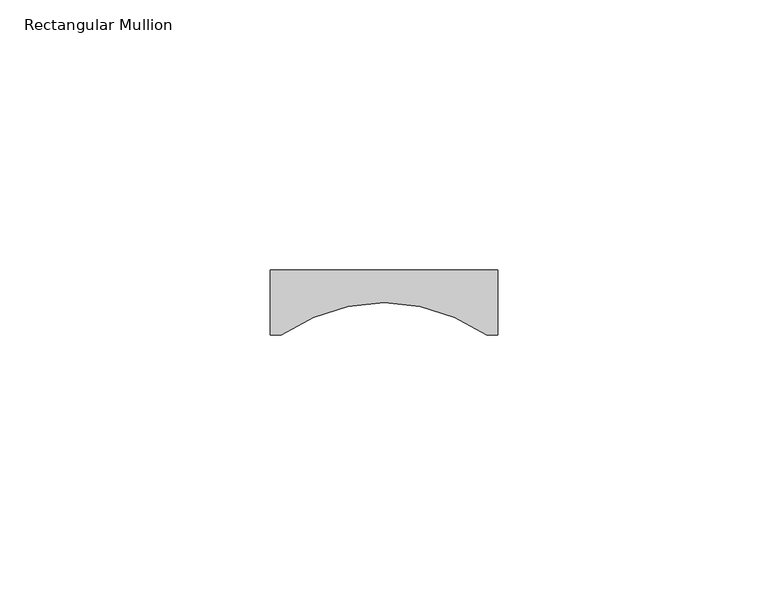
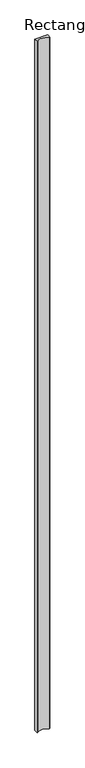
"""IFC4 building model written with IfcOpenShell, lengths in millimetres: member geometry, Rectangular Mullion."""

import ifcopenshell
import ifcopenshell.guid

model = None  # the IFC model being written
_history = None  # IfcOwnerHistory: only IFC2X3 demands one
_inside = {}  # id of a spatial element -> (the spatial element, [elements in it])
_under = {}  # id of a project, library or spatial element -> (it, [spatial elements below it])
_declared = {}  # id of a project -> (the project, [libraries it declares])
_typed = {}  # id of a type object -> (the type object, [elements of that type])
_made_of = {}  # id of a material, layer set ... -> (it, [elements and type objects made of it])


def new_model(schema):
    """Start an empty IFC model of exactly this schema.

    Asked for "IFC4X3", IfcOpenShell would pick the latest addendum, in which some entities
    have other attributes; the version numbers below select the first issue.
    IFC2X3 requires an IfcOwnerHistory on every rooted entity: one is made here for all.
    """
    global model, _history
    if schema == "IFC4X3":
        model = ifcopenshell.file(schema_version=(4, 3, 0, 0))
    else:
        model = ifcopenshell.file(schema=schema)
    _inside.clear()
    _under.clear()
    _declared.clear()
    _typed.clear()
    _made_of.clear()
    _history = None
    if model.schema == "IFC2X3":
        org = make("IfcOrganization", Name="unknown")
        user = make(
            "IfcPersonAndOrganization",
            ThePerson=make("IfcPerson", FamilyName="unknown"),
            TheOrganization=org,
        )
        app = make(
            "IfcApplication",
            ApplicationDeveloper=org,
            Version="unknown",
            ApplicationFullName="unknown",
            ApplicationIdentifier="unknown",
        )
        _history = make(
            "IfcOwnerHistory",
            OwningUser=user,
            OwningApplication=app,
            ChangeAction="ADDED",
            CreationDate=0,
        )
    return model


def make(cls, **values):
    """One entity of the class cls with the attributes given. An attribute that is None is left unset."""
    return model.create_entity(
        cls, **{name: value for name, value in values.items() if value is not None}
    )


def rooted(cls, **values):
    """An entity with a GlobalId (a new one), such as an element, a storey or a relation."""
    return make(cls, GlobalId=ifcopenshell.guid.new(), OwnerHistory=_history, **values)


def si_unit(unit_type, name, prefix=None):
    """IfcSIUnit, for example si_unit("LENGTHUNIT", "METRE", prefix="MILLI")."""
    return make("IfcSIUnit", UnitType=unit_type, Prefix=prefix, Name=name)


def assignment(units):
    """IfcUnitAssignment: the units of a project."""
    return None if units is None else make("IfcUnitAssignment", Units=units)


def point(xyz):
    """IfcCartesianPoint."""
    return None if xyz is None else make("IfcCartesianPoint", Coordinates=xyz)


def direction(xyz):
    """IfcDirection."""
    return None if xyz is None else make("IfcDirection", DirectionRatios=xyz)


def frame(location, z_axis=None, x_axis=None):
    """IfcAxis2Placement3D, a coordinate frame: its origin and axes. An axis left out is left unset."""
    return make(
        "IfcAxis2Placement3D",
        Location=point(location),
        Axis=direction(z_axis),
        RefDirection=direction(x_axis),
    )


def frame_2d(location, x_axis=None):
    """IfcAxis2Placement2D, a coordinate frame in the plane: its origin and x axis."""
    return make(
        "IfcAxis2Placement2D", Location=point(location), RefDirection=direction(x_axis)
    )


def origin():
    """The frame at (0, 0, 0) with its axes left unset."""
    return frame((0.0, 0.0, 0.0))


def place(relative_to, where):
    """IfcLocalPlacement: puts the frame where relative to a parent placement (None: the world)."""
    return make(
        "IfcLocalPlacement", PlacementRelTo=relative_to, RelativePlacement=where
    )


def context(
    kind, dimensions, precision=None, world=None, true_north=None, identifier=None
):
    """IfcGeometricRepresentationContext, for example the 3D "Model" context."""
    return make(
        "IfcGeometricRepresentationContext",
        ContextIdentifier=identifier,
        ContextType=kind,
        CoordinateSpaceDimension=dimensions,
        Precision=precision,
        WorldCoordinateSystem=world,
        TrueNorth=true_north,
    )


def project(units=None, contexts=None):
    """IfcProject with its units and contexts."""
    return rooted(
        "IfcProject",
        Name="project",
        RepresentationContexts=contexts,
        UnitsInContext=assignment(units),
    )


def spatial(cls, under=None, at=None, **own):
    """A site, building, storey or space (cls), placed at a placement, below another one or the project."""
    s = rooted(cls, ObjectPlacement=at, **own)
    if under is not None:
        _under.setdefault(under.id(), (under, []))[1].append(s)
    return s


def polyline(points):
    """IfcPolyline through the points."""
    return make("IfcPolyline", Points=[point(p) for p in points])


def circle_curve(where, radius):
    """IfcCircle in the frame where."""
    return make("IfcCircle", Position=where, Radius=radius)


def trimmed(basis, trim1, trim2, sense, master):
    """IfcTrimmedCurve: the piece of a basis curve between two trims."""
    return make(
        "IfcTrimmedCurve",
        BasisCurve=basis,
        Trim1=trim1,
        Trim2=trim2,
        SenseAgreement=sense,
        MasterRepresentation=master,
    )


def segment(curve, same_sense, transition):
    """IfcCompositeCurveSegment."""
    return make(
        "IfcCompositeCurveSegment",
        Transition=transition,
        SameSense=same_sense,
        ParentCurve=curve,
    )


def composite_curve(segments, self_intersect=None):
    """IfcCompositeCurve: segments joined end to end."""
    return make("IfcCompositeCurve", Segments=segments, SelfIntersect=self_intersect)


def outline(outer, holes=None, kind="AREA"):
    """IfcArbitraryClosedProfileDef: a profile drawn as a closed curve; with holes, ...WithVoids."""
    if holes is None:
        return make("IfcArbitraryClosedProfileDef", ProfileType=kind, OuterCurve=outer)
    return make(
        "IfcArbitraryProfileDefWithVoids",
        ProfileType=kind,
        OuterCurve=outer,
        InnerCurves=holes,
    )


def extrude(swept, where, along, depth):
    """IfcExtrudedAreaSolid: the profile swept, set in the frame where, extruded along a direction by depth."""
    return make(
        "IfcExtrudedAreaSolid",
        SweptArea=swept,
        Position=where,
        ExtrudedDirection=direction(along),
        Depth=depth,
    )


def shape(context_of_items, identifier, shape_type, items):
    """IfcShapeRepresentation: the items that make up one representation, for example the "Body"."""
    return make(
        "IfcShapeRepresentation",
        ContextOfItems=context_of_items,
        RepresentationIdentifier=identifier,
        RepresentationType=shape_type,
        Items=items,
    )


def source(mapping_origin, context_of_items, identifier, shape_type, items):
    """IfcRepresentationMap: a shape defined once, which mapped items show again and again."""
    return make(
        "IfcRepresentationMap",
        MappingOrigin=mapping_origin,
        MappedRepresentation=shape(context_of_items, identifier, shape_type, items),
    )


def transform(
    local_origin,
    x_axis=None,
    y_axis=None,
    z_axis=None,
    scale=None,
    scale2=None,
    scale3=None,
    uniform=True,
):
    """IfcCartesianTransformationOperator3D, or its non-uniform kind. x_axis, y_axis, z_axis: its Axis1, 2, 3."""
    if uniform:
        return make(
            "IfcCartesianTransformationOperator3D",
            Axis1=direction(x_axis),
            Axis2=direction(y_axis),
            LocalOrigin=point(local_origin),
            Scale=scale,
            Axis3=direction(z_axis),
        )
    return make(
        "IfcCartesianTransformationOperator3DnonUniform",
        Axis1=direction(x_axis),
        Axis2=direction(y_axis),
        LocalOrigin=point(local_origin),
        Scale=scale,
        Axis3=direction(z_axis),
        Scale2=scale2,
        Scale3=scale3,
    )


def mapped(mapping_source, mapping_target):
    """IfcMappedItem: shows the shape of a source again, moved by a transform."""
    return make(
        "IfcMappedItem", MappingSource=mapping_source, MappingTarget=mapping_target
    )


def made_of(thing, what):
    """Note that an element or type object is made of a material, layer set ...; save() writes the relation."""
    if what is not None:
        _made_of.setdefault(what.id(), (what, []))[1].append(thing)
    return thing


def element(
    cls,
    number,
    at=None,
    inside=None,
    cuts=None,
    type_object=None,
    material=None,
    context=None,
    identifier="Body",
    shape_type=None,
    held_by="IfcProductDefinitionShape",
    body=None,
    shapes=None,
    **own,
):
    """One element of the class cls, such as IfcWall. Its Tag is "e" and its number.

    at: its placement. inside: the storey or other place that contains it. cuts: it is an
    opening in that element (IfcRelVoidsElement). A single representation is given by context,
    identifier, shape_type and body (its items); several are given by shapes. held_by: the class
    of the entity that holds the representations. save() writes the other relations.
    """
    e = rooted(cls, Tag="e%d" % number, ObjectPlacement=at, **own)
    if body is not None:
        shapes = [shape(context, identifier, shape_type, body)]
    if shapes is not None:
        e.Representation = make(held_by, Representations=shapes)
    if inside is not None:
        _inside.setdefault(inside.id(), (inside, []))[1].append(e)
    if cuts is not None:
        rooted(
            "IfcRelVoidsElement", RelatingBuildingElement=cuts, RelatedOpeningElement=e
        )
    if type_object is not None:
        _typed.setdefault(type_object.id(), (type_object, []))[1].append(e)
    return made_of(e, material)


def aggregate(whole, parts):
    """IfcRelAggregates: a whole, such as a stair, and the parts it consists of."""
    return rooted("IfcRelAggregates", RelatingObject=whole, RelatedObjects=parts)


def save(model, path):
    """Write the relations noted so far, then the file.

    IfcRelAggregates (storeys below a building ...), IfcRelContainedInSpatialStructure (elements
    in a storey), IfcRelDefinesByType, IfcRelAssociatesMaterial and IfcRelDeclares: one each for
    every whole, place, type object, material and project.
    """
    for whole, parts in _under.values():
        aggregate(whole, parts)
    for where, things in _inside.values():
        rooted(
            "IfcRelContainedInSpatialStructure",
            RelatedElements=things,
            RelatingStructure=where,
        )
    for kind, things in _typed.values():
        rooted("IfcRelDefinesByType", RelatedObjects=things, RelatingType=kind)
    for what, things in _made_of.values():
        rooted("IfcRelAssociatesMaterial", RelatedObjects=things, RelatingMaterial=what)
    for by, libraries in _declared.values():
        rooted("IfcRelDeclares", RelatingContext=by, RelatedDefinitions=libraries)
    model.write(path)


def rectangular_mullion_ac795452(model_context):
    return source(origin(), model_context, "Body", "SweptSolid", [
        extrude(outline(composite_curve([segment(polyline([(-21.0, -12.0), (-21.0, 0.0), (21.0, 0.0), (21.0, -12.0), (19.0, -12.0)]), True, "CONTINUOUS"), segment(trimmed(circle_curve(frame_2d((0.0, -39.0290149)), 33.0388808), [point((19.0, -12.0))], [point((-19.0, -12.0))], True, "CARTESIAN"), True, "CONTINUOUS"), segment(polyline([(-19.0, -12.0), (-21.0, -12.0)]), True, "CONTINUOUS")], self_intersect=False)), frame((0.0, 0.0, -2400.0), z_axis=(0.0, 0.0, 1.0), x_axis=(1.0, 0.0, 0.0)), (0.0, 0.0, 1.0), 2400.0),
    ])


if __name__ == "__main__":
    model = new_model("IFC4")
    model_context = context("Model", 3, world=origin())
    ifc_project = project(units=[si_unit("LENGTHUNIT", "METRE", prefix="MILLI")], contexts=[model_context])
    site = spatial("IfcSite", under=ifc_project)
    building = spatial("IfcBuilding", under=site)
    placement = place(None, origin())
    rectangular_mullion_shape = rectangular_mullion_ac795452(model_context)
    element("IfcMember", 1, ObjectType="Rectangular Mullion", at=placement, inside=building, context=model_context, shape_type="MappedRepresentation", body=[
        mapped(rectangular_mullion_shape, transform((0.0, 0.0, 0.0), x_axis=(1.0, 0.0, 0.0), y_axis=(0.0, 1.0, 0.0), z_axis=(0.0, 0.0, 1.0))),
    ])
    save(model, "model.ifc")
